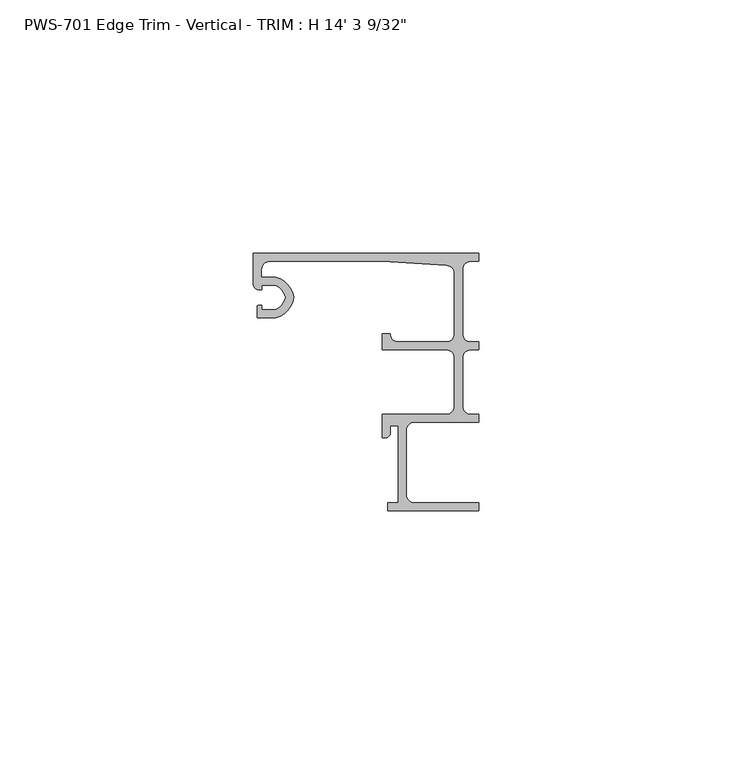
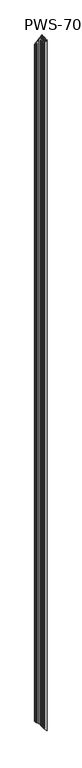
"""IFC4 building model written with IfcOpenShell, lengths in millimetres: proxy geometry."""

import ifcopenshell
import ifcopenshell.guid

model = None  # the IFC model being written
_history = None  # IfcOwnerHistory: only IFC2X3 demands one
_inside = {}  # id of a spatial element -> (the spatial element, [elements in it])
_under = {}  # id of a project, library or spatial element -> (it, [spatial elements below it])
_declared = {}  # id of a project -> (the project, [libraries it declares])
_typed = {}  # id of a type object -> (the type object, [elements of that type])
_made_of = {}  # id of a material, layer set ... -> (it, [elements and type objects made of it])


def new_model(schema):
    """Start an empty IFC model of exactly this schema.

    Asked for "IFC4X3", IfcOpenShell would pick the latest addendum, in which some entities
    have other attributes; the version numbers below select the first issue.
    IFC2X3 requires an IfcOwnerHistory on every rooted entity: one is made here for all.
    """
    global model, _history
    if schema == "IFC4X3":
        model = ifcopenshell.file(schema_version=(4, 3, 0, 0))
    else:
        model = ifcopenshell.file(schema=schema)
    _inside.clear()
    _under.clear()
    _declared.clear()
    _typed.clear()
    _made_of.clear()
    _history = None
    if model.schema == "IFC2X3":
        org = make("IfcOrganization", Name="unknown")
        user = make(
            "IfcPersonAndOrganization",
            ThePerson=make("IfcPerson", FamilyName="unknown"),
            TheOrganization=org,
        )
        app = make(
            "IfcApplication",
            ApplicationDeveloper=org,
            Version="unknown",
            ApplicationFullName="unknown",
            ApplicationIdentifier="unknown",
        )
        _history = make(
            "IfcOwnerHistory",
            OwningUser=user,
            OwningApplication=app,
            ChangeAction="ADDED",
            CreationDate=0,
        )
    return model


def make(cls, **values):
    """One entity of the class cls with the attributes given. An attribute that is None is left unset."""
    return model.create_entity(
        cls, **{name: value for name, value in values.items() if value is not None}
    )


def rooted(cls, **values):
    """An entity with a GlobalId (a new one), such as an element, a storey or a relation."""
    return make(cls, GlobalId=ifcopenshell.guid.new(), OwnerHistory=_history, **values)


def si_unit(unit_type, name, prefix=None):
    """IfcSIUnit, for example si_unit("LENGTHUNIT", "METRE", prefix="MILLI")."""
    return make("IfcSIUnit", UnitType=unit_type, Prefix=prefix, Name=name)


def assignment(units):
    """IfcUnitAssignment: the units of a project."""
    return None if units is None else make("IfcUnitAssignment", Units=units)


def point(xyz):
    """IfcCartesianPoint."""
    return None if xyz is None else make("IfcCartesianPoint", Coordinates=xyz)


def direction(xyz):
    """IfcDirection."""
    return None if xyz is None else make("IfcDirection", DirectionRatios=xyz)


def frame(location, z_axis=None, x_axis=None):
    """IfcAxis2Placement3D, a coordinate frame: its origin and axes. An axis left out is left unset."""
    return make(
        "IfcAxis2Placement3D",
        Location=point(location),
        Axis=direction(z_axis),
        RefDirection=direction(x_axis),
    )


def origin():
    """The frame at (0, 0, 0) with its axes left unset."""
    return frame((0.0, 0.0, 0.0))


def place(relative_to, where):
    """IfcLocalPlacement: puts the frame where relative to a parent placement (None: the world)."""
    return make(
        "IfcLocalPlacement", PlacementRelTo=relative_to, RelativePlacement=where
    )


def context(
    kind, dimensions, precision=None, world=None, true_north=None, identifier=None
):
    """IfcGeometricRepresentationContext, for example the 3D "Model" context."""
    return make(
        "IfcGeometricRepresentationContext",
        ContextIdentifier=identifier,
        ContextType=kind,
        CoordinateSpaceDimension=dimensions,
        Precision=precision,
        WorldCoordinateSystem=world,
        TrueNorth=true_north,
    )


def project(units=None, contexts=None):
    """IfcProject with its units and contexts."""
    return rooted(
        "IfcProject",
        Name="project",
        RepresentationContexts=contexts,
        UnitsInContext=assignment(units),
    )


def spatial(cls, under=None, at=None, **own):
    """A site, building, storey or space (cls), placed at a placement, below another one or the project."""
    s = rooted(cls, ObjectPlacement=at, **own)
    if under is not None:
        _under.setdefault(under.id(), (under, []))[1].append(s)
    return s


def polyline(points):
    """IfcPolyline through the points."""
    return make("IfcPolyline", Points=[point(p) for p in points])


def ellipse_curve(where, semi_axis1, semi_axis2):
    """IfcEllipse in the frame where."""
    return make(
        "IfcEllipse", Position=where, SemiAxis1=semi_axis1, SemiAxis2=semi_axis2
    )


def shape(context_of_items, identifier, shape_type, items):
    """IfcShapeRepresentation: the items that make up one representation, for example the "Body"."""
    return make(
        "IfcShapeRepresentation",
        ContextOfItems=context_of_items,
        RepresentationIdentifier=identifier,
        RepresentationType=shape_type,
        Items=items,
    )


def source(mapping_origin, context_of_items, identifier, shape_type, items):
    """IfcRepresentationMap: a shape defined once, which mapped items show again and again."""
    return make(
        "IfcRepresentationMap",
        MappingOrigin=mapping_origin,
        MappedRepresentation=shape(context_of_items, identifier, shape_type, items),
    )


def transform(
    local_origin,
    x_axis=None,
    y_axis=None,
    z_axis=None,
    scale=None,
    scale2=None,
    scale3=None,
    uniform=True,
):
    """IfcCartesianTransformationOperator3D, or its non-uniform kind. x_axis, y_axis, z_axis: its Axis1, 2, 3."""
    if uniform:
        return make(
            "IfcCartesianTransformationOperator3D",
            Axis1=direction(x_axis),
            Axis2=direction(y_axis),
            LocalOrigin=point(local_origin),
            Scale=scale,
            Axis3=direction(z_axis),
        )
    return make(
        "IfcCartesianTransformationOperator3DnonUniform",
        Axis1=direction(x_axis),
        Axis2=direction(y_axis),
        LocalOrigin=point(local_origin),
        Scale=scale,
        Axis3=direction(z_axis),
        Scale2=scale2,
        Scale3=scale3,
    )


def mapped(mapping_source, mapping_target):
    """IfcMappedItem: shows the shape of a source again, moved by a transform."""
    return make(
        "IfcMappedItem", MappingSource=mapping_source, MappingTarget=mapping_target
    )


def made_of(thing, what):
    """Note that an element or type object is made of a material, layer set ...; save() writes the relation."""
    if what is not None:
        _made_of.setdefault(what.id(), (what, []))[1].append(thing)
    return thing


def element(
    cls,
    number,
    at=None,
    inside=None,
    cuts=None,
    type_object=None,
    material=None,
    context=None,
    identifier="Body",
    shape_type=None,
    held_by="IfcProductDefinitionShape",
    body=None,
    shapes=None,
    **own,
):
    """One element of the class cls, such as IfcWall. Its Tag is "e" and its number.

    at: its placement. inside: the storey or other place that contains it. cuts: it is an
    opening in that element (IfcRelVoidsElement). A single representation is given by context,
    identifier, shape_type and body (its items); several are given by shapes. held_by: the class
    of the entity that holds the representations. save() writes the other relations.
    """
    e = rooted(cls, Tag="e%d" % number, ObjectPlacement=at, **own)
    if body is not None:
        shapes = [shape(context, identifier, shape_type, body)]
    if shapes is not None:
        e.Representation = make(held_by, Representations=shapes)
    if inside is not None:
        _inside.setdefault(inside.id(), (inside, []))[1].append(e)
    if cuts is not None:
        rooted(
            "IfcRelVoidsElement", RelatingBuildingElement=cuts, RelatedOpeningElement=e
        )
    if type_object is not None:
        _typed.setdefault(type_object.id(), (type_object, []))[1].append(e)
    return made_of(e, material)


def aggregate(whole, parts):
    """IfcRelAggregates: a whole, such as a stair, and the parts it consists of."""
    return rooted("IfcRelAggregates", RelatingObject=whole, RelatedObjects=parts)


def save(model, path):
    """Write the relations noted so far, then the file.

    IfcRelAggregates (storeys below a building ...), IfcRelContainedInSpatialStructure (elements
    in a storey), IfcRelDefinesByType, IfcRelAssociatesMaterial and IfcRelDeclares: one each for
    every whole, place, type object, material and project.
    """
    for whole, parts in _under.values():
        aggregate(whole, parts)
    for where, things in _inside.values():
        rooted(
            "IfcRelContainedInSpatialStructure",
            RelatedElements=things,
            RelatingStructure=where,
        )
    for kind, things in _typed.values():
        rooted("IfcRelDefinesByType", RelatedObjects=things, RelatingType=kind)
    for what, things in _made_of.values():
        rooted("IfcRelAssociatesMaterial", RelatedObjects=things, RelatingMaterial=what)
    for by, libraries in _declared.values():
        rooted("IfcRelDeclares", RelatingContext=by, RelatedDefinitions=libraries)
    model.write(path)


def plane_surface(at):
    """IfcPlane: the flat surface through the origin of the frame at, square to its z axis."""
    return make("IfcPlane", Position=at)


def cylinder_surface(at, radius):
    """IfcCylindricalSurface: all points at the distance radius from the z axis of the frame at."""
    return make("IfcCylindricalSurface", Position=at, Radius=radius)


def revolved_surface(curve, axis_point, axis_direction):
    """IfcSurfaceOfRevolution: the curve turned about the line through axis_point along axis_direction."""
    return make(
        "IfcSurfaceOfRevolution",
        SweptCurve=make("IfcArbitraryOpenProfileDef", ProfileType="CURVE", Curve=curve),
        AxisPosition=make("IfcAxis1Placement", Location=point(axis_point), Axis=direction(axis_direction)),
    )


def advanced_brep(points, edges, surfaces, faces):
    """IfcAdvancedBrep: a solid bounded by faces that lie on surfaces and meet in shared edges.

    An edge is (start, end): straight between two places in points (the first is 0);
    or (start, end, curve); or (start, end, curve, False) where it runs against its curve.
    A face is (place in surfaces, loops), or (place, loops, False) where it looks against
    its surface's normal. A loop lists edges by number (the first is 1), with a minus sign
    where the edge is run from its end to its start. The first loop is the outer one.
    """
    corners = [point(p) for p in points]
    vertices = [make("IfcVertexPoint", VertexGeometry=c) for c in corners]
    made = []
    for start, end, *more in edges:
        made.append(
            make(
                "IfcEdgeCurve",
                EdgeStart=vertices[start],
                EdgeEnd=vertices[end],
                EdgeGeometry=more[0] if more else make("IfcPolyline", Points=[corners[start], corners[end]]),
                SameSense=more[1] if len(more) > 1 else True,
            )
        )
    hull = []
    for where, loops, *sense in faces:
        bounds = []
        for j, loop in enumerate(loops):
            ring = [make("IfcOrientedEdge", EdgeElement=made[abs(k) - 1], Orientation=k > 0) for k in loop]
            bounds.append(
                make(
                    "IfcFaceOuterBound" if j == 0 else "IfcFaceBound",
                    Bound=make("IfcEdgeLoop", EdgeList=ring),
                    Orientation=True,
                )
            )
        hull.append(make("IfcAdvancedFace", Bounds=bounds, FaceSurface=surfaces[where], SameSense=sense[0] if sense else True))
    return make("IfcAdvancedBrep", Outer=make("IfcClosedShell", CfsFaces=hull))


def proxy_8f5db8f8(model_context):
    return source(origin(), model_context, "Body", "AdvancedBrep", [
        advanced_brep(
        [(26.9875, -15.875, 4333.08125), (28.575, -17.4625, 4334.66875), (28.575, -17.4625, 15.875), (26.9875, -15.875, 17.4625), (38.1, -17.4625, 4344.19375), (38.1, -17.4625, 6.35), (39.6875, -15.875, 4345.78125), (39.6875, -15.875, 4.7625), (39.6875, -3.97002, 4345.78125), (39.6875, -3.97002, 4.7625), (38.1, -2.38252, 4344.19375), (38.1, -2.38252, 6.35), (25.4, -1.5875, 4331.49375), (25.4, -1.5875, 19.05), (3.175, -1.5875, 4309.26875), (3.175, -1.5875, 41.275), (1.5875, -3.175, 4307.68125), (1.5875, -3.175, 42.8625), (1.5875, -4.699, 4307.68125), (1.5875, -4.699, 42.8625), (4.4357599, -4.699, 4310.5295099), (4.4357599, -4.699, 40.0142401), (7.9585261, -8.6995, 4314.0522761), (7.9585261, -8.6995, 36.4914739), (4.4357599, -12.7, 4310.5295099), (4.4357599, -12.7, 40.0142401), (0.762, -12.7, 4306.85575), (0.762, -12.7, 43.688), (0.762, -10.3627194, 4306.85575), (0.762, -10.3627194, 43.688), (1.6997088, -10.2659469, 4307.7934588), (1.6997088, -10.2659469, 42.7502912), (1.6997088, -11.1125, 4307.7934588), (1.6997088, -11.1125, 42.7502912), (4.207924, -11.1125, 4310.301674), (4.207924, -11.1125, 40.242076), (6.35, -8.6995, 4312.44375), (6.35, -8.6995, 38.1), (4.207924, -6.2865, 4310.301674), (4.207924, -6.2865, 40.242076), (1.6997088, -6.2865, 4307.7934588), (1.6997088, -6.2865, 42.7502912), (1.6997088, -7.1755, 4307.7934588), (1.6997088, -7.1755, 42.7502912), (0.9083659, -7.1755, 4307.0021159), (0.9083659, -7.1755, 43.5416341), (0.0, -6.0569064, 4306.09375), (0.0, -6.0569064, 44.45), (0.0, 0.0, 4306.09375), (0.0, 0.0, 44.45), (44.45, 0.0, 0.0), (44.45, 0.0, 4350.54375), (44.45, -1.5875, 4350.54375), (44.45, -1.5875, 0.0), (42.8625, -1.5875, 4348.95625), (42.8625, -1.5875, 1.5875), (41.275, -3.175, 4347.36875), (41.275, -3.175, 3.175), (41.275, -15.875, 4347.36875), (41.275, -15.875, 3.175), (42.8625, -17.4625, 4348.95625), (42.8625, -17.4625, 1.5875), (44.45, -17.4625, 0.0), (44.45, -17.4625, 4350.54375), (44.45, -19.05, 4350.54375), (44.45, -19.05, 0.0), (42.8625, -19.05, 4348.95625), (42.8625, -19.05, 1.5875), (41.275, -20.6375, 4347.36875), (41.275, -20.6375, 3.175), (41.275, -30.1625, 4347.36875), (41.275, -30.1625, 3.175), (42.8625, -31.75, 4348.95625), (42.8625, -31.75, 1.5875), (44.45, -31.75, 0.0), (44.45, -31.75, 4350.54375), (44.45, -33.3375, 4350.54375), (44.45, -33.3375, 0.0), (31.75, -33.3375, 4337.84375), (31.75, -33.3375, 12.7), (30.1625, -34.925, 4336.25625), (30.1625, -34.925, 14.2875), (30.1625, -47.625, 4336.25625), (30.1625, -47.625, 14.2875), (31.75, -49.2125, 4337.84375), (31.75, -49.2125, 12.7), (44.45, -49.2125, 0.0), (44.45, -49.2125, 4350.54375), (44.45, -50.8, 4350.54375), (44.45, -50.8, 0.0), (26.543, -50.8, 4332.63675), (26.543, -50.8, 17.907), (26.543, -49.2125, 4332.63675), (26.543, -49.2125, 17.907), (28.575, -49.2125, 4334.66875), (28.575, -49.2125, 15.875), (28.575, -33.9725, 4334.66875), (28.575, -33.9725, 15.875), (26.9875, -33.9725, 4333.08125), (26.9875, -33.9725, 17.4625), (26.9875, -35.55873, 4333.08125), (26.9875, -35.55873, 17.4625), (26.19248, -36.35375, 4332.28623), (26.19248, -36.35375, 18.25752), (25.4, -36.35375, 4331.49375), (25.4, -36.35375, 19.05), (25.4, -31.75, 4331.49375), (25.4, -31.75, 19.05), (38.1, -31.75, 4344.19375), (38.1, -31.75, 6.35), (39.6875, -30.1625, 4345.78125), (39.6875, -30.1625, 4.7625), (39.6875, -20.6375, 4345.78125), (39.6875, -20.6375, 4.7625), (38.1, -19.05, 4344.19375), (38.1, -19.05, 6.35), (25.4, -19.05, 4331.49375), (25.4, -19.05, 19.05), (25.4, -15.875, 4331.49375), (25.4, -15.875, 19.05)],
        [
            (0, 1, ellipse_curve(frame((28.575, -15.875, 4334.66875), z_axis=(-0.7071067811865449, 0.0, 0.7071067811865501), x_axis=(-0.7071067811865501, 0.0, -0.7071067811865449)), 2.245064, 1.5875)),
            (1, 2),
            (2, 3, ellipse_curve(frame((28.575, -15.875, 15.875), z_axis=(-0.7071067811865491, 0.0, -0.7071067811865459), x_axis=(0.7071067811865459, 0.0, -0.707106781186549)), 2.245064, 1.5875)),
            (3, 0),
            (1, 4),
            (4, 5),
            (5, 2),
            (4, 6, ellipse_curve(frame((38.1, -15.875, 4344.19375), z_axis=(-0.7071067811865449, 0.0, 0.7071067811865501), x_axis=(-0.7071067811865501, 0.0, -0.7071067811865449)), 2.245064, 1.5875)),
            (6, 7),
            (7, 5, ellipse_curve(frame((38.1, -15.875, 6.35), z_axis=(-0.7071067811865491, 0.0, -0.7071067811865459), x_axis=(0.7071067811865459, 0.0, -0.707106781186549)), 2.245064, 1.5875)),
            (6, 8),
            (8, 9),
            (9, 7),
            (8, 10, ellipse_curve(frame((38.1, -3.97002, 4344.19375), z_axis=(-0.7071067811865449, 0.0, 0.7071067811865501), x_axis=(-0.7071067811865501, 0.0, -0.7071067811865449)), 2.245064, 1.5875)),
            (10, 11),
            (11, 9, ellipse_curve(frame((38.1, -3.97002, 6.35), z_axis=(-0.7071067811865491, 0.0, -0.7071067811865459), x_axis=(0.7071067811865459, 0.0, -0.707106781186549)), 2.245064, 1.5875)),
            (10, 12),
            (12, 13),
            (13, 11),
            (12, 14),
            (14, 15),
            (15, 13),
            (14, 16, ellipse_curve(frame((3.175, -3.175, 4309.26875), z_axis=(-0.7071067811865449, 0.0, 0.7071067811865501), x_axis=(-0.7071067811865501, 0.0, -0.7071067811865449)), 2.245064, 1.5875)),
            (16, 17),
            (17, 15, ellipse_curve(frame((3.175, -3.175, 41.275), z_axis=(-0.7071067811865491, 0.0, -0.7071067811865459), x_axis=(0.7071067811865459, 0.0, -0.707106781186549)), 2.245064, 1.5875)),
            (16, 18),
            (18, 19),
            (19, 17),
            (18, 20),
            (20, 21),
            (21, 19),
            (20, 22, ellipse_curve(frame((3.2089841, -9.3305673, 4309.3027341), z_axis=(0.7071067811865449, 0.0, -0.7071067811865501), x_axis=(0.7071067811865501, 0.0, 0.7071067811865449)), 6.7758977, 4.7912832)),
            (22, 23),
            (23, 21, ellipse_curve(frame((3.2089841, -9.3305673, 41.2410159), z_axis=(0.7071067811865491, 0.0, 0.7071067811865459), x_axis=(-0.7071067811865459, 0.0, 0.707106781186549)), 6.7758977, 4.7912832)),
            (22, 24, ellipse_curve(frame((3.2089841, -8.0684327, 4309.3027341), z_axis=(0.7071067811865449, 0.0, -0.7071067811865501), x_axis=(0.7071067811865501, 0.0, 0.7071067811865449)), 6.7758977, 4.7912832)),
            (24, 25),
            (25, 23, ellipse_curve(frame((3.2089841, -8.0684327, 41.2410159), z_axis=(0.7071067811865491, 0.0, 0.7071067811865459), x_axis=(-0.7071067811865459, 0.0, 0.707106781186549)), 6.7758977, 4.7912832)),
            (24, 26),
            (26, 27),
            (27, 25),
            (26, 28),
            (28, 29),
            (29, 27),
            (28, 30, ellipse_curve(frame((1.3351034, -11.3244879, 4307.4288534), z_axis=(0.7071067811865449, 0.0, -0.7071067811865501), x_axis=(0.7071067811865501, 0.0, 0.7071067811865449)), 1.583317, 1.1195742)),
            (30, 31),
            (31, 29, ellipse_curve(frame((1.3351034, -11.3244879, 43.1148966), z_axis=(0.7071067811865491, 0.0, 0.7071067811865459), x_axis=(-0.7071067811865459, 0.0, 0.707106781186549)), 1.583317, 1.1195742)),
            (30, 32),
            (32, 33),
            (33, 31),
            (32, 34),
            (34, 35),
            (35, 33),
            (34, 36, ellipse_curve(frame((3.2089841, -8.0684327, 4309.3027341), z_axis=(-0.7071067811865449, 0.0, 0.7071067811865501), x_axis=(-0.7071067811865501, 0.0, -0.7071067811865449)), 4.5308337, 3.2037832)),
            (36, 37),
            (37, 35, ellipse_curve(frame((3.2089841, -8.0684327, 41.2410159), z_axis=(-0.7071067811865491, 0.0, -0.7071067811865459), x_axis=(0.7071067811865459, 0.0, -0.707106781186549)), 4.5308337, 3.2037832)),
            (36, 38, ellipse_curve(frame((3.2089841, -9.3305673, 4309.3027341), z_axis=(-0.7071067811865449, 0.0, 0.7071067811865501), x_axis=(-0.7071067811865501, 0.0, -0.7071067811865449)), 4.5308337, 3.2037832)),
            (38, 39),
            (39, 37, ellipse_curve(frame((3.2089841, -9.3305673, 41.2410159), z_axis=(-0.7071067811865491, 0.0, -0.7071067811865459), x_axis=(0.7071067811865459, 0.0, -0.707106781186549)), 4.5308337, 3.2037832)),
            (38, 40),
            (40, 41),
            (41, 39),
            (40, 42),
            (42, 43),
            (43, 41),
            (42, 44),
            (44, 45),
            (45, 43),
            (44, 46, ellipse_curve(frame((1.1429206, -6.0569064, 4307.2366706), z_axis=(0.7071067811865449, 0.0, -0.7071067811865501), x_axis=(0.7071067811865501, 0.0, 0.7071067811865449)), 1.6163338, 1.1429206)),
            (46, 47),
            (47, 45, ellipse_curve(frame((1.1429206, -6.0569064, 43.3070794), z_axis=(0.7071067811865491, 0.0, 0.7071067811865459), x_axis=(-0.7071067811865459, 0.0, 0.707106781186549)), 1.6163338, 1.1429206)),
            (46, 48),
            (48, 49),
            (49, 47),
            (50, 49),
            (48, 51),
            (51, 50),
            (51, 52),
            (52, 53),
            (53, 50),
            (52, 54),
            (54, 55),
            (55, 53),
            (54, 56, ellipse_curve(frame((42.8625, -3.175, 4348.95625), z_axis=(-0.7071067811865449, 0.0, 0.7071067811865501), x_axis=(-0.7071067811865501, 0.0, -0.7071067811865449)), 2.245064, 1.5875)),
            (56, 57),
            (57, 55, ellipse_curve(frame((42.8625, -3.175, 1.5875), z_axis=(-0.7071067811865491, 0.0, -0.7071067811865459), x_axis=(0.7071067811865459, 0.0, -0.707106781186549)), 2.245064, 1.5875)),
            (56, 58),
            (58, 59),
            (59, 57),
            (58, 60, ellipse_curve(frame((42.8625, -15.875, 4348.95625), z_axis=(-0.7071067811865449, 0.0, 0.7071067811865501), x_axis=(-0.7071067811865501, 0.0, -0.7071067811865449)), 2.245064, 1.5875)),
            (60, 61),
            (61, 59, ellipse_curve(frame((42.8625, -15.875, 1.5875), z_axis=(-0.7071067811865491, 0.0, -0.7071067811865459), x_axis=(0.7071067811865459, 0.0, -0.707106781186549)), 2.245064, 1.5875)),
            (62, 61),
            (60, 63),
            (63, 62),
            (63, 64),
            (64, 65),
            (65, 62),
            (64, 66),
            (66, 67),
            (67, 65),
            (66, 68, ellipse_curve(frame((42.8625, -20.6375, 4348.95625), z_axis=(-0.7071067811865449, 0.0, 0.7071067811865501), x_axis=(-0.7071067811865501, 0.0, -0.7071067811865449)), 2.245064, 1.5875)),
            (68, 69),
            (69, 67, ellipse_curve(frame((42.8625, -20.6375, 1.5875), z_axis=(-0.7071067811865491, 0.0, -0.7071067811865459), x_axis=(0.7071067811865459, 0.0, -0.707106781186549)), 2.245064, 1.5875)),
            (68, 70),
            (70, 71),
            (71, 69),
            (70, 72, ellipse_curve(frame((42.8625, -30.1625, 4348.95625), z_axis=(-0.7071067811865449, 0.0, 0.7071067811865501), x_axis=(-0.7071067811865501, 0.0, -0.7071067811865449)), 2.245064, 1.5875)),
            (72, 73),
            (73, 71, ellipse_curve(frame((42.8625, -30.1625, 1.5875), z_axis=(-0.7071067811865491, 0.0, -0.7071067811865459), x_axis=(0.7071067811865459, 0.0, -0.707106781186549)), 2.245064, 1.5875)),
            (74, 73),
            (72, 75),
            (75, 74),
            (75, 76),
            (76, 77),
            (77, 74),
            (76, 78),
            (78, 79),
            (79, 77),
            (78, 80, ellipse_curve(frame((31.75, -34.925, 4337.84375), z_axis=(-0.7071067811865449, 0.0, 0.7071067811865501), x_axis=(-0.7071067811865501, 0.0, -0.7071067811865449)), 2.245064, 1.5875)),
            (80, 81),
            (81, 79, ellipse_curve(frame((31.75, -34.925, 12.7), z_axis=(-0.7071067811865491, 0.0, -0.7071067811865459), x_axis=(0.7071067811865459, 0.0, -0.707106781186549)), 2.245064, 1.5875)),
            (80, 82),
            (82, 83),
            (83, 81),
            (82, 84, ellipse_curve(frame((31.75, -47.625, 4337.84375), z_axis=(-0.7071067811865449, 0.0, 0.7071067811865501), x_axis=(-0.7071067811865501, 0.0, -0.7071067811865449)), 2.245064, 1.5875)),
            (84, 85),
            (85, 83, ellipse_curve(frame((31.75, -47.625, 12.7), z_axis=(-0.7071067811865491, 0.0, -0.7071067811865459), x_axis=(0.7071067811865459, 0.0, -0.707106781186549)), 2.245064, 1.5875)),
            (86, 85),
            (84, 87),
            (87, 86),
            (87, 88),
            (88, 89),
            (89, 86),
            (88, 90),
            (90, 91),
            (91, 89),
            (90, 92),
            (92, 93),
            (93, 91),
            (92, 94),
            (94, 95),
            (95, 93),
            (94, 96),
            (96, 97),
            (97, 95),
            (96, 98),
            (98, 99),
            (99, 97),
            (98, 100),
            (100, 101),
            (101, 99),
            (100, 102, ellipse_curve(frame((26.19248, -35.55873, 4332.28623), z_axis=(0.7071067811865449, 0.0, -0.7071067811865501), x_axis=(0.7071067811865501, 0.0, 0.7071067811865449)), 1.1243281, 0.79502)),
            (102, 103),
            (103, 101, ellipse_curve(frame((26.19248, -35.55873, 18.25752), z_axis=(0.7071067811865491, 0.0, 0.7071067811865459), x_axis=(-0.7071067811865459, 0.0, 0.707106781186549)), 1.1243281, 0.79502)),
            (102, 104),
            (104, 105),
            (105, 103),
            (104, 106),
            (106, 107),
            (107, 105),
            (106, 108),
            (108, 109),
            (109, 107),
            (108, 110, ellipse_curve(frame((38.1, -30.1625, 4344.19375), z_axis=(-0.7071067811865449, 0.0, 0.7071067811865501), x_axis=(-0.7071067811865501, 0.0, -0.7071067811865449)), 2.245064, 1.5875)),
            (110, 111),
            (111, 109, ellipse_curve(frame((38.1, -30.1625, 6.35), z_axis=(-0.7071067811865491, 0.0, -0.7071067811865459), x_axis=(0.7071067811865459, 0.0, -0.707106781186549)), 2.245064, 1.5875)),
            (110, 112),
            (112, 113),
            (113, 111),
            (112, 114, ellipse_curve(frame((38.1, -20.6375, 4344.19375), z_axis=(-0.7071067811865449, 0.0, 0.7071067811865501), x_axis=(-0.7071067811865501, 0.0, -0.7071067811865449)), 2.245064, 1.5875)),
            (114, 115),
            (115, 113, ellipse_curve(frame((38.1, -20.6375, 6.35), z_axis=(-0.7071067811865491, 0.0, -0.7071067811865459), x_axis=(0.7071067811865459, 0.0, -0.707106781186549)), 2.245064, 1.5875)),
            (114, 116),
            (116, 117),
            (117, 115),
            (116, 118),
            (118, 119),
            (119, 117),
            (3, 119),
            (118, 0),
        ],
        [
            revolved_surface(polyline([(30.162499999999998, -15.875, 14.287500021402202), (30.162499999999998, -15.875, 4336.256249978597)]), (28.575, -15.875, 0.0), (0.0, 0.0, -1.0)),
            plane_surface(frame((28.575, -17.4625, 4350.54375), z_axis=(0.0, 1.0, 0.0), x_axis=(0.0, 0.0, -1.0))),
            revolved_surface(polyline([(39.6875, -15.875, 4.7625), (39.6875, -15.875, 4345.78125)]), (38.1, -15.875, 0.0), (0.0, 0.0, -1.0)),
            plane_surface(frame((39.6875, -15.875, 4350.54375), z_axis=(-1.0, 0.0, 0.0), x_axis=(0.0, 0.0, -1.0))),
            revolved_surface(polyline([(39.6875, -3.97002, 4.7625), (39.6875, -3.97002, 4345.78125)]), (38.1, -3.97002, 0.0), (0.0, 0.0, -1.0)),
            plane_surface(frame((38.1, -2.38252, 4350.54375), z_axis=(-0.062477702137024124, -0.9980463600132398, 0.0), x_axis=(0.0, 0.0, -1.0))),
            plane_surface(frame((25.4, -1.5875, 4350.54375), z_axis=(0.0, -1.0, 0.0), x_axis=(0.0, 0.0, -1.0))),
            revolved_surface(polyline([(4.762499999999999, -3.175, 39.6875000214022), (4.762499999999999, -3.175, 4310.856249978598)]), (3.175, -3.175, 0.0), (0.0, 0.0, -1.0)),
            plane_surface(frame((1.5875, -3.175, 4350.54375), z_axis=(1.0, 0.0, 0.0), x_axis=(0.0, 0.0, -1.0))),
            plane_surface(frame((1.5875, -4.699, 4350.54375), z_axis=(0.0, 1.0, 0.0), x_axis=(0.0, 0.0, -1.0))),
            cylinder_surface(frame((3.2089841, -9.3305673, 0.0), z_axis=(0.0, 0.0, 1.0), x_axis=(1.0, 0.0, 0.0)), 4.7912832),
            cylinder_surface(frame((3.2089841, -8.0684327, 0.0), z_axis=(0.0, 0.0, 1.0), x_axis=(1.0, 0.0, 0.0)), 4.7912832),
            plane_surface(frame((4.4357599, -12.7, 4350.54375), z_axis=(0.0, -1.0, 0.0), x_axis=(0.0, 0.0, -1.0))),
            plane_surface(frame((0.762, -12.7, 4350.54375), z_axis=(-1.0, 0.0, 0.0), x_axis=(0.0, 0.0, -1.0))),
            cylinder_surface(frame((1.3351034, -11.3244879, 0.0), z_axis=(0.0, 0.0, 1.0), x_axis=(1.0, 0.0, 0.0)), 1.1195742),
            plane_surface(frame((1.6997088, -10.2659469, 4350.54375), z_axis=(1.0, 0.0, 0.0), x_axis=(0.0, 0.0, -1.0))),
            plane_surface(frame((1.6997088, -11.1125, 4350.54375), z_axis=(4.504476212404173e-12, 1.0, 0.0), x_axis=(0.0, 0.0, -1.0))),
            revolved_surface(polyline([(6.4127673000000005, -8.0684327, 38.037232666301456), (6.4127673000000005, -8.0684327, 4312.506517333698)]), (3.2089841, -8.0684327, 0.0), (0.0, 0.0, -1.0)),
            revolved_surface(polyline([(6.4127673000000005, -9.3305673, 38.037232666301456), (6.4127673000000005, -9.3305673, 4312.506517333698)]), (3.2089841, -9.3305673, 0.0), (0.0, 0.0, -1.0)),
            plane_surface(frame((4.207924, -6.2865, 4350.54375), z_axis=(0.0, -1.0, 0.0), x_axis=(0.0, 0.0, -1.0))),
            plane_surface(frame((1.6997088, -6.2865, 4350.54375), z_axis=(1.0, 0.0, 0.0), x_axis=(0.0, 0.0, -1.0))),
            plane_surface(frame((1.6997088, -7.1755, 4350.54375), z_axis=(0.0, -1.0, 0.0), x_axis=(0.0, 0.0, -1.0))),
            cylinder_surface(frame((1.1429206, -6.0569064, 0.0), z_axis=(0.0, 0.0, 1.0), x_axis=(1.0, 0.0, 0.0)), 1.1429206),
            plane_surface(frame((0.0, -6.0569064, 4350.54375), z_axis=(-1.0, 0.0, 0.0), x_axis=(0.0, 0.0, -1.0))),
            plane_surface(frame((0.0, 0.0, 4350.54375), z_axis=(0.0, 1.0, 0.0), x_axis=(0.0, 0.0, -1.0))),
            plane_surface(frame((44.45, 0.0, 4350.54375), z_axis=(1.0, 0.0, 0.0), x_axis=(0.0, 0.0, -1.0))),
            plane_surface(frame((44.45, -1.5875, 4350.54375), z_axis=(0.0, -1.0, 0.0), x_axis=(0.0, 0.0, -1.0))),
            revolved_surface(polyline([(44.449999999999996, -3.175, 2.1402201344500327e-08), (44.449999999999996, -3.175, 4350.543749978598)]), (42.8625, -3.175, 0.0), (0.0, 0.0, -1.0)),
            plane_surface(frame((41.275, -3.175, 4350.54375), z_axis=(1.0, 0.0, 0.0), x_axis=(0.0, 0.0, -1.0))),
            revolved_surface(polyline([(44.449999999999996, -15.875, 2.1402201344500327e-08), (44.449999999999996, -15.875, 4350.543749978598)]), (42.8625, -15.875, 0.0), (0.0, 0.0, -1.0)),
            plane_surface(frame((42.8625, -17.4625, 4350.54375), z_axis=(0.0, 1.0, 0.0), x_axis=(0.0, 0.0, -1.0))),
            plane_surface(frame((44.45, -17.4625, 4350.54375), z_axis=(1.0, 0.0, 0.0), x_axis=(0.0, 0.0, -1.0))),
            plane_surface(frame((44.45, -19.05, 4350.54375), z_axis=(0.0, -1.0, 0.0), x_axis=(0.0, 0.0, -1.0))),
            revolved_surface(polyline([(44.449999999999996, -20.6375, 2.1402201344500327e-08), (44.449999999999996, -20.6375, 4350.543749978598)]), (42.8625, -20.6375, 0.0), (0.0, 0.0, -1.0)),
            plane_surface(frame((41.275, -20.6375, 4350.54375), z_axis=(1.0, 0.0, 0.0), x_axis=(0.0, 0.0, -1.0))),
            revolved_surface(polyline([(44.449999999999996, -30.1625, 2.1402201344500327e-08), (44.449999999999996, -30.1625, 4350.543749978598)]), (42.8625, -30.1625, 0.0), (0.0, 0.0, -1.0)),
            plane_surface(frame((42.8625, -31.75, 4350.54375), z_axis=(0.0, 1.0, 0.0), x_axis=(0.0, 0.0, -1.0))),
            plane_surface(frame((44.45, -31.75, 4350.54375), z_axis=(1.0, 0.0, 0.0), x_axis=(0.0, 0.0, -1.0))),
            plane_surface(frame((44.45, -33.3375, 4350.54375), z_axis=(0.0, -1.0, 0.0), x_axis=(0.0, 0.0, -1.0))),
            revolved_surface(polyline([(33.3375, -34.925, 11.112500021402202), (33.3375, -34.925, 4339.431249978597)]), (31.75, -34.925, 0.0), (0.0, 0.0, -1.0)),
            plane_surface(frame((30.1625, -34.925, 4350.54375), z_axis=(1.0, 0.0, 0.0), x_axis=(0.0, 0.0, -1.0))),
            revolved_surface(polyline([(33.3375, -47.625, 11.112500021402202), (33.3375, -47.625, 4339.431249978597)]), (31.75, -47.625, 0.0), (0.0, 0.0, -1.0)),
            plane_surface(frame((31.75, -49.2125, 4350.54375), z_axis=(0.0, 1.0, 0.0), x_axis=(0.0, 0.0, -1.0))),
            plane_surface(frame((44.45, -49.2125, 4350.54375), z_axis=(1.0, 0.0, 0.0), x_axis=(0.0, 0.0, -1.0))),
            plane_surface(frame((44.45, -50.8, 4350.54375), z_axis=(0.0, -1.0, 0.0), x_axis=(0.0, 0.0, -1.0))),
            plane_surface(frame((26.543, -50.8, 4350.54375), z_axis=(-1.0, 0.0, 0.0), x_axis=(0.0, 0.0, -1.0))),
            plane_surface(frame((26.543, -49.2125, 4350.54375), z_axis=(0.0, 1.0, 0.0), x_axis=(0.0, 0.0, -1.0))),
            plane_surface(frame((28.575, -49.2125, 4350.54375), z_axis=(-1.0, 0.0, 0.0), x_axis=(0.0, 0.0, -1.0))),
            plane_surface(frame((28.575, -33.9725, 4350.54375), z_axis=(0.0, -1.0, 0.0), x_axis=(0.0, 0.0, -1.0))),
            plane_surface(frame((26.9875, -33.9725, 4350.54375), z_axis=(1.0, 0.0, 0.0), x_axis=(0.0, 0.0, -1.0))),
            cylinder_surface(frame((26.19248, -35.55873, 0.0), z_axis=(0.0, 0.0, 1.0), x_axis=(1.0, 0.0, 0.0)), 0.79502),
            plane_surface(frame((26.19248, -36.35375, 4350.54375), z_axis=(0.0, -1.0, 0.0), x_axis=(0.0, 0.0, -1.0))),
            plane_surface(frame((25.4, -36.35375, 4350.54375), z_axis=(-1.0, 0.0, 0.0), x_axis=(0.0, 0.0, -1.0))),
            plane_surface(frame((25.4, -31.75, 4350.54375), z_axis=(0.0, 1.0, 0.0), x_axis=(0.0, 0.0, -1.0))),
            revolved_surface(polyline([(39.6875, -30.1625, 4.7625), (39.6875, -30.1625, 4345.78125)]), (38.1, -30.1625, 0.0), (0.0, 0.0, -1.0)),
            plane_surface(frame((39.6875, -30.1625, 4350.54375), z_axis=(-1.0, 0.0, 0.0), x_axis=(0.0, 0.0, -1.0))),
            revolved_surface(polyline([(39.6875, -20.6375, 4.7625), (39.6875, -20.6375, 4345.78125)]), (38.1, -20.6375, 0.0), (0.0, 0.0, -1.0)),
            plane_surface(frame((38.1, -19.05, 4350.54375), z_axis=(0.0, -1.0, 0.0), x_axis=(0.0, 0.0, -1.0))),
            plane_surface(frame((25.4, -19.05, 4350.54375), z_axis=(-1.0, 0.0, 0.0), x_axis=(0.0, 0.0, -1.0))),
            plane_surface(frame((25.4, -15.875, 4350.54375), z_axis=(0.0, 1.0, 0.0), x_axis=(0.0, 0.0, -1.0))),
            plane_surface(frame((44.45, 0.0, 0.0), z_axis=(-0.7071067811865491, 0.0, -0.7071067811865459), x_axis=(0.0, -1.0, 0.0))),
            plane_surface(frame((0.0, 0.0, 4306.09375), z_axis=(-0.7071067811865449, 0.0, 0.7071067811865501), x_axis=(0.0, -1.0, 0.0))),
        ],
        [
            (0, [[1, 2, 3, 4]]),
            (1, [[5, 6, 7, -2]]),
            (2, [[8, 9, 10, -6]]),
            (3, [[11, 12, 13, -9]]),
            (4, [[14, 15, 16, -12]]),
            (5, [[17, 18, 19, -15]]),
            (6, [[20, 21, 22, -18]]),
            (7, [[23, 24, 25, -21]]),
            (8, [[26, 27, 28, -24]]),
            (9, [[29, 30, 31, -27]]),
            (10, [[32, 33, 34, -30]]),
            (11, [[35, 36, 37, -33]]),
            (12, [[38, 39, 40, -36]]),
            (13, [[41, 42, 43, -39]]),
            (14, [[44, 45, 46, -42]]),
            (15, [[47, 48, 49, -45]]),
            (16, [[50, 51, 52, -48]]),
            (17, [[53, 54, 55, -51]]),
            (18, [[56, 57, 58, -54]]),
            (19, [[59, 60, 61, -57]]),
            (20, [[62, 63, 64, -60]]),
            (21, [[65, 66, 67, -63]]),
            (22, [[68, 69, 70, -66]]),
            (23, [[71, 72, 73, -69]]),
            (24, [[74, -72, 75, 76]]),
            (25, [[77, 78, 79, -76]]),
            (26, [[80, 81, 82, -78]]),
            (27, [[83, 84, 85, -81]]),
            (28, [[86, 87, 88, -84]]),
            (29, [[89, 90, 91, -87]]),
            (30, [[92, -90, 93, 94]]),
            (31, [[95, 96, 97, -94]]),
            (32, [[98, 99, 100, -96]]),
            (33, [[101, 102, 103, -99]]),
            (34, [[104, 105, 106, -102]]),
            (35, [[107, 108, 109, -105]]),
            (36, [[110, -108, 111, 112]]),
            (37, [[113, 114, 115, -112]]),
            (38, [[116, 117, 118, -114]]),
            (39, [[119, 120, 121, -117]]),
            (40, [[122, 123, 124, -120]]),
            (41, [[125, 126, 127, -123]]),
            (42, [[128, -126, 129, 130]]),
            (43, [[131, 132, 133, -130]]),
            (44, [[134, 135, 136, -132]]),
            (45, [[137, 138, 139, -135]]),
            (46, [[140, 141, 142, -138]]),
            (47, [[143, 144, 145, -141]]),
            (48, [[146, 147, 148, -144]]),
            (49, [[149, 150, 151, -147]]),
            (50, [[152, 153, 154, -150]]),
            (51, [[155, 156, 157, -153]]),
            (52, [[158, 159, 160, -156]]),
            (53, [[161, 162, 163, -159]]),
            (54, [[164, 165, 166, -162]]),
            (55, [[167, 168, 169, -165]]),
            (56, [[170, 171, 172, -168]]),
            (57, [[173, 174, 175, -171]]),
            (58, [[176, 177, 178, -174]]),
            (59, [[179, -177, 180, -4]]),
            (60, [[-7, -10, -13, -16, -19, -22, -25, -28, -31, -34, -37, -40, -43, -46, -49, -52, -55, -58, -61, -64, -67, -70, -73, -74, -79, -82, -85, -88, -91, -92, -97, -100, -103, -106, -109, -110, -115, -118, -121, -124, -127, -128, -133, -136, -139, -142, -145, -148, -151, -154, -157, -160, -163, -166, -169, -172, -175, -178, -179, -3]]),
            (61, [[-180, -176, -173, -170, -167, -164, -161, -158, -155, -152, -149, -146, -143, -140, -137, -134, -131, -129, -125, -122, -119, -116, -113, -111, -107, -104, -101, -98, -95, -93, -89, -86, -83, -80, -77, -75, -71, -68, -65, -62, -59, -56, -53, -50, -47, -44, -41, -38, -35, -32, -29, -26, -23, -20, -17, -14, -11, -8, -5, -1]]),
        ],
    ),
    ])


if __name__ == "__main__":
    model = new_model("IFC4")
    model_context = context("Model", 3, world=origin())
    ifc_project = project(units=[si_unit("LENGTHUNIT", "METRE", prefix="MILLI")], contexts=[model_context])
    site = spatial("IfcSite", under=ifc_project)
    building = spatial("IfcBuilding", under=site)
    placement = place(None, origin())
    proxy_shape = proxy_8f5db8f8(model_context)
    element("IfcBuildingElementProxy", 1, Name="PWS-701 Edge Trim - Vertical - TRIM : H 14' 3 9/32\"", ObjectType="PWS-701 Edge Trim - Vertical - TRIM : H 14' 3 9/32\"", at=placement, inside=building, context=model_context, shape_type="MappedRepresentation", body=[
        mapped(proxy_shape, transform((0.0, 0.0, 0.0), x_axis=(1.0, 0.0, 0.0), y_axis=(0.0, 1.0, 0.0), z_axis=(0.0, 0.0, 1.0))),
    ])
    save(model, "model.ifc")
